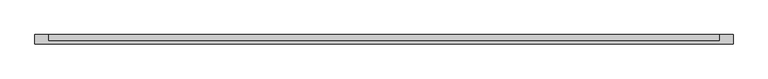
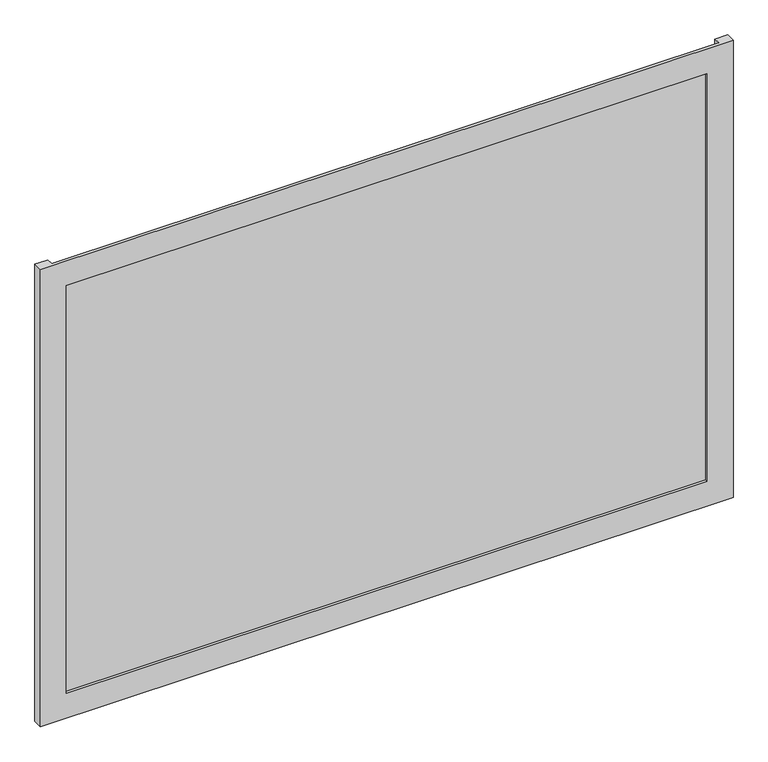
"""IFC4 building model written with IfcOpenShell, lengths in millimetres: plate geometry."""

from ifc_helpers import new_model, si_unit, origin, origin_with_axes, place, context, project, spatial, polyline, outline, extrude, faceted_brep, source, transform, mapped, element, save


def plate_8d6c36c1(model_context):
    return source(origin(), model_context, "Body", "SolidModel", [
        faceted_brep([(662.5, -50.8, -50.0), (662.5, -68.2, -50.0), (-662.5, -68.2, -50.0), (-662.5, -50.8, -50.0), (-637.5, -50.8, -50.0), (-637.5, -63.2, -50.0), (637.5, -63.2, -50.0), (637.5, -50.8, -50.0), (612.5, -68.2, 0.0), (612.5, -63.2, 0.0), (-612.5, -63.2, 0.0), (-612.5, -68.2, 0.0), (662.5, -68.2, 875.0), (-662.5, -68.2, 875.0), (-612.5, -68.2, 825.0), (612.5, -68.2, 825.0), (-637.5, -63.2, 875.0), (637.5, -63.2, 875.0), (612.5, -63.2, 825.0), (-612.5, -63.2, 825.0), (662.5, -50.8, 875.0), (637.5, -50.8, 875.0), (-637.5, -50.8, 875.0), (-662.5, -50.8, 875.0)], [[[0, 1, 2, 3, 4, 5, 6, 7]], [[8, 9, 10, 11]], [[12, 13, 2, 1], [11, 14, 15, 8]], [[16, 17, 6, 5], [9, 18, 19, 10]], [[20, 21, 17, 16, 22, 23, 13, 12]], [[20, 0, 7, 21]], [[21, 7, 6, 17]], [[8, 15, 18, 9]], [[12, 1, 0, 20]], [[22, 4, 3, 23]], [[16, 5, 4, 22]], [[10, 19, 14, 11]], [[23, 3, 2, 13]], [[18, 15, 14, 19]]]),
        extrude(outline(polyline([(637.5, -50.8), (637.5, -63.2), (-637.5, -63.2), (-637.5, -50.8), (637.5, -50.8)])), origin_with_axes(), (0.0, 0.0, 1.0), 825.0),
    ])


if __name__ == "__main__":
    model = new_model("IFC4")
    model_context = context("Model", 3, world=origin())
    ifc_project = project(units=[si_unit("LENGTHUNIT", "METRE", prefix="MILLI")], contexts=[model_context])
    site = spatial("IfcSite", under=ifc_project)
    building = spatial("IfcBuilding", under=site)
    placement = place(None, origin())
    plate_shape = plate_8d6c36c1(model_context)
    element("IfcPlate", 1, at=placement, inside=building, context=model_context, shape_type="MappedRepresentation", body=[
        mapped(plate_shape, transform((0.0, 0.0, 0.0), x_axis=(1.0, 0.0, 0.0), y_axis=(0.0, 1.0, 0.0), z_axis=(0.0, 0.0, 1.0))),
    ])
    save(model, "model.ifc")
